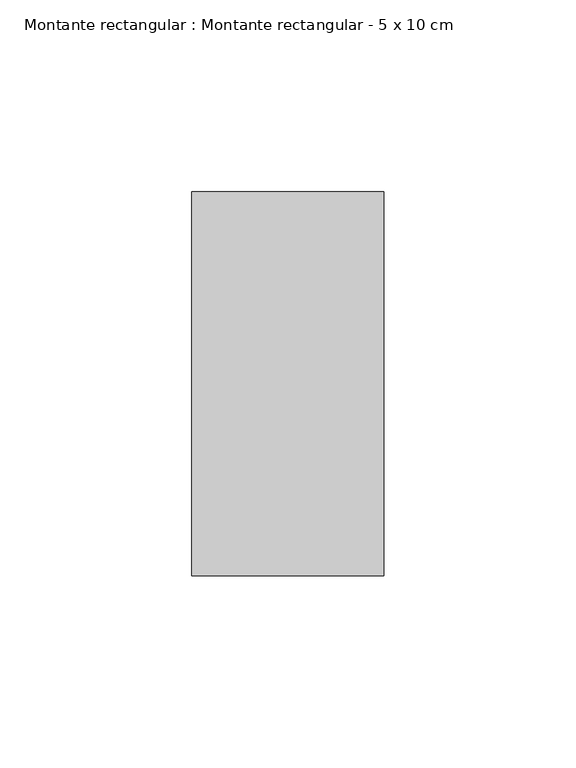
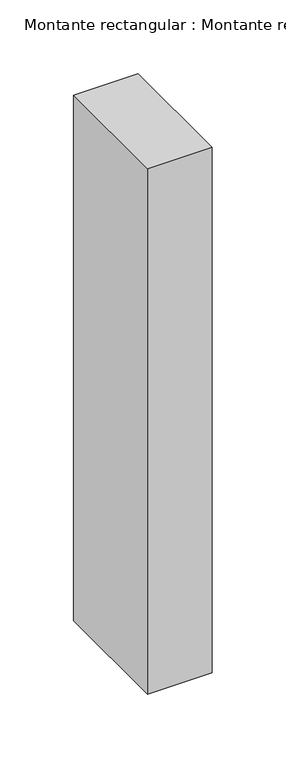
"""IFC4 building model written with IfcOpenShell, lengths in millimetres: member geometry, Montante rectangular : Montante rectangular - 5 x 10 cm."""

from ifc_helpers import new_model, si_unit, frame, origin, place, context, project, spatial, polyline, outline, extrude, source, transform, mapped, element, save


def montante_rectangular_montante_rectangular_5_x_10_cm_34bbf784(model_context):
    return source(origin(), model_context, "Body", "SweptSolid", [
        extrude(outline(polyline([(-50.0, 50.0), (0.0, 50.0), (0.0, -50.0), (-50.0, -50.0), (-50.0, 50.0)])), frame((0.0, 0.0, -433.3333333), z_axis=(0.0, 0.0, 1.0), x_axis=(1.0, 0.0, 0.0)), (0.0, 0.0, 1.0), 433.3333333),
    ])


if __name__ == "__main__":
    model = new_model("IFC4")
    model_context = context("Model", 3, world=origin())
    ifc_project = project(units=[si_unit("LENGTHUNIT", "METRE", prefix="MILLI")], contexts=[model_context])
    site = spatial("IfcSite", under=ifc_project)
    building = spatial("IfcBuilding", under=site)
    placement = place(None, origin())
    montante_rectangular_montante_rectangular_5_x_10_cm_shape = montante_rectangular_montante_rectangular_5_x_10_cm_34bbf784(model_context)
    element("IfcMember", 1, ObjectType="Montante rectangular : Montante rectangular - 5 x 10 cm", at=placement, inside=building, context=model_context, shape_type="MappedRepresentation", body=[
        mapped(montante_rectangular_montante_rectangular_5_x_10_cm_shape, transform((0.0, 0.0, 0.0), x_axis=(1.0, 0.0, 0.0), y_axis=(0.0, 1.0, 0.0), z_axis=(0.0, 0.0, 1.0))),
    ])
    save(model, "model.ifc")
